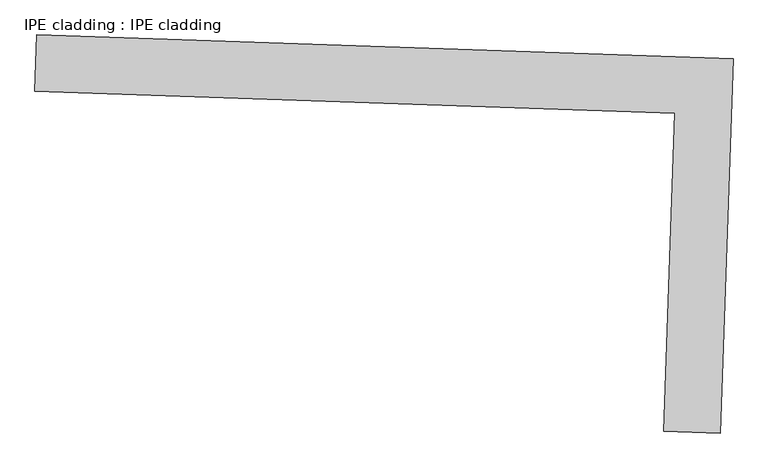
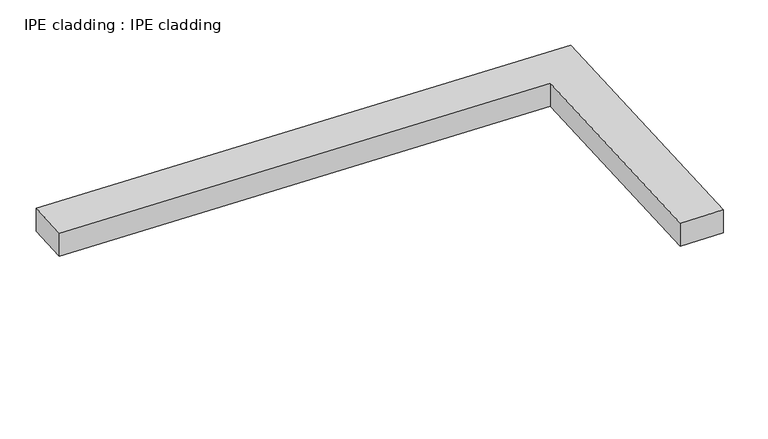
"""IFC4 building model written with IfcOpenShell, lengths in millimetres: proxy geometry, IPE cladding : IPE cladding."""

from ifc_helpers import new_model, si_unit, frame, origin, place, context, project, spatial, polyline, outline, extrude, source, transform, mapped, element, save


def ipe_cladding_ipe_cladding_a87c0212(model_context):
    return source(origin(), model_context, "Body", "SweptSolid", [
        extrude(outline(polyline([(17306.5036747, -14579.7358887), (17309.5442116, -14490.8878998), (18404.9713732, -14528.3753724), (18384.81895, -15117.252411), (18295.9709609, -15114.2118743), (18313.0828477, -14614.1828244), (17306.5036747, -14579.7358887)])), frame((0.0, 0.0, 124.775707), z_axis=(0.0, 0.0, 1.0), x_axis=(1.0, 0.0, 0.0)), (0.0, 0.0, 1.0), 50.8),
    ])


if __name__ == "__main__":
    model = new_model("IFC4")
    model_context = context("Model", 3, world=origin())
    ifc_project = project(units=[si_unit("LENGTHUNIT", "METRE", prefix="MILLI")], contexts=[model_context])
    site = spatial("IfcSite", under=ifc_project)
    building = spatial("IfcBuilding", under=site)
    placement = place(None, origin())
    ipe_cladding_ipe_cladding_shape = ipe_cladding_ipe_cladding_a87c0212(model_context)
    element("IfcBuildingElementProxy", 1, Name="IPE cladding : IPE cladding", ObjectType="IPE cladding : IPE cladding", at=placement, inside=building, context=model_context, shape_type="MappedRepresentation", body=[
        mapped(ipe_cladding_ipe_cladding_shape, transform((0.0, 0.0, 0.0), x_axis=(1.0, 0.0, 0.0), y_axis=(0.0, 1.0, 0.0), z_axis=(0.0, 0.0, 1.0))),
    ])
    save(model, "model.ifc")
